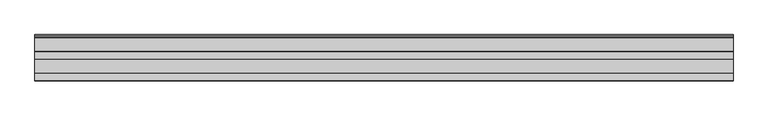
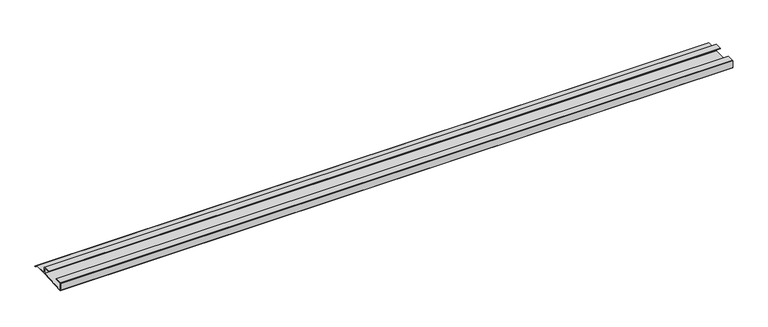
"""IFC4 building model written with IfcOpenShell, lengths in millimetres: furniture geometry."""

from ifc_helpers import new_model, si_unit, frame, origin, place, context, project, spatial, polyline, outline, extrude, source, transform, mapped, element, save


def furniture_9b969c29(model_context):
    return source(origin(), model_context, "Body", "SweptSolid", [
        extrude(outline(polyline([(-16.1532518, 511.9978198), (-16.9376349, 511.5794942), (-18.5259585, 513.2500689), (-20.7474799, 513.865402), (-21.763438, 515.8973274), (-45.0034802, 515.8973274), (-92.6265287, 513.865402), (-93.3884975, 514.6273708), (-93.3884975, 527.05762), (-92.5947475, 527.85137), (-80.6890189, 527.85137), (-80.6890189, 527.05762), (-92.6265287, 527.05762), (-92.6265287, 514.6273831), (-45.0034802, 516.6910774), (-45.0034802, 527.05762), (-56.9409919, 527.05762), (-56.9409919, 527.85137), (-45.0352673, 527.85137), (-44.2415173, 527.05762), (-44.2415173, 516.6910774), (-21.763438, 516.6910774), (-20.7474799, 514.8813647), (-18.0685872, 514.0123407), (-16.1532518, 511.9978198)])), frame((-562.7345592, 0.0, 0.0), z_axis=(1.0, 0.0, 0.0), x_axis=(0.0, 1.0, 0.0)), (0.0, 0.0, 1.0), 1164.4122),
    ])


if __name__ == "__main__":
    model = new_model("IFC4")
    model_context = context("Model", 3, world=origin())
    ifc_project = project(units=[si_unit("LENGTHUNIT", "METRE", prefix="MILLI")], contexts=[model_context])
    site = spatial("IfcSite", under=ifc_project)
    building = spatial("IfcBuilding", under=site)
    placement = place(None, origin())
    furniture_shape = furniture_9b969c29(model_context)
    element("IfcFurniture", 1, at=placement, inside=building, context=model_context, shape_type="MappedRepresentation", body=[
        mapped(furniture_shape, transform((0.0, 0.0, 0.0), x_axis=(1.0, 0.0, 0.0), y_axis=(0.0, 1.0, 0.0), z_axis=(0.0, 0.0, 1.0))),
    ])
    save(model, "model.ifc")
